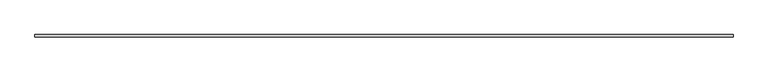
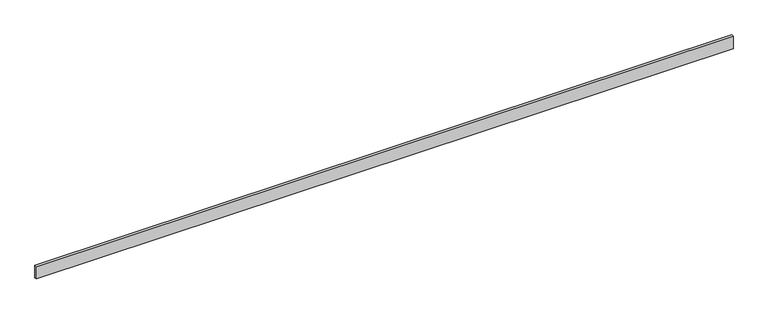
"""IFC4 building model written with IfcOpenShell, lengths in millimetres: beam geometry."""

from ifc_helpers import new_model, si_unit, frame, origin, place, context, project, spatial, polyline, outline, extrude, source, transform, mapped, element, save


def beam_3fbf5d63(model_context):
    return source(origin(), model_context, "Body", "SweptSolid", [
        extrude(outline(polyline([(5334.0, -18.0), (-5334.0, -18.0), (-5334.0, 18.0), (5334.0, 18.0), (5334.0, -18.0)])), frame((0.0, 0.0, -100.0), z_axis=(0.0, 0.0, 1.0), x_axis=(1.0, 0.0, 0.0)), (0.0, 0.0, 1.0), 200.0),
    ])


if __name__ == "__main__":
    model = new_model("IFC4")
    model_context = context("Model", 3, world=origin())
    ifc_project = project(units=[si_unit("LENGTHUNIT", "METRE", prefix="MILLI")], contexts=[model_context])
    site = spatial("IfcSite", under=ifc_project)
    building = spatial("IfcBuilding", under=site)
    placement = place(None, origin())
    beam_shape = beam_3fbf5d63(model_context)
    element("IfcBeam", 1, at=placement, inside=building, context=model_context, shape_type="MappedRepresentation", body=[
        mapped(beam_shape, transform((0.0, 0.0, 0.0), x_axis=(1.0, 0.0, 0.0), y_axis=(0.0, 1.0, 0.0), z_axis=(0.0, 0.0, 1.0))),
    ])
    save(model, "model.ifc")
